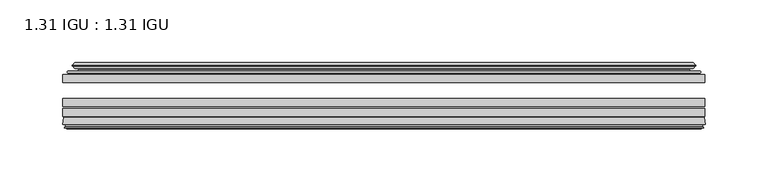
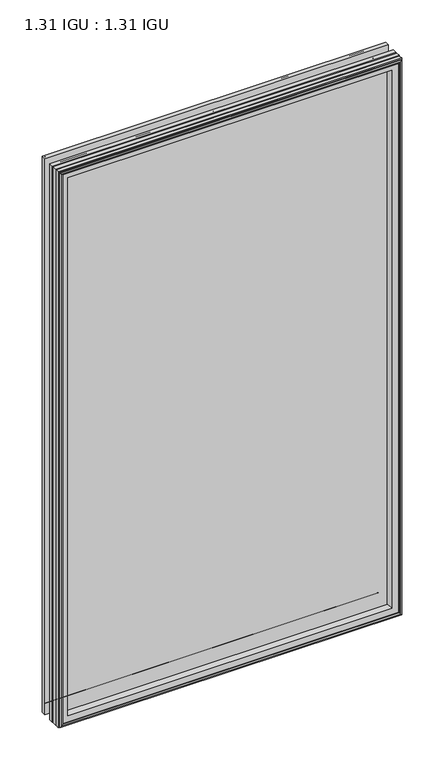
"""IFC4 building model written with IfcOpenShell, lengths in millimetres: plate geometry, 1.31 IGU : 1.31 IGU."""

from ifc_helpers import new_model, si_unit, frame, origin, place, context, project, spatial, polyline, ellipse_curve, outline, extrude, source, transform, mapped, element, save
from ifc_brep_helpers import plane_surface, cylinder_surface, revolved_surface, advanced_brep


def plate_1_31_igu_1_31_igu_baf90a24(model_context):
    return source(origin(), model_context, "Body", "SolidModel", [
        extrude(outline(polyline([(254.9913865, -51.7723437), (254.9913865, -58.1223438), (-255.0583333, -58.1223438), (-255.0583333, -51.7723437), (254.9913865, -51.7723437)])), frame((0.0, 0.0, -14.2875), z_axis=(0.0, 0.0, 1.0), x_axis=(1.0, 0.0, 0.0)), (0.0, 0.0, 1.0), 873.125),
        extrude(outline(polyline([(-255.0583333, -85.4273438), (-255.0583333, -79.0773437), (254.9913865, -79.0773437), (254.9913865, -85.4273438), (-255.0583333, -85.4273438)])), frame((0.0, 0.0, -14.2875), z_axis=(0.0, 0.0, 1.0), x_axis=(1.0, 0.0, 0.0)), (0.0, 0.0, 1.0), 873.125),
        extrude(outline(polyline([(-255.0583333, -77.1723438), (-255.0583333, -70.8223438), (254.9913865, -70.8223438), (254.9913865, -77.1723438), (-255.0583333, -77.1723438)])), frame((0.0, 0.0, -14.2875), z_axis=(0.0, 0.0, 1.0), x_axis=(1.0, 0.0, 0.0)), (0.0, 0.0, 1.0), 873.125),
        advanced_brep(
        [(-255.0710333, -91.7773437, 858.8502), (-254.3762495, -86.1187838, 858.1554162), (-254.3762495, -86.1187838, -13.6054162), (-255.0710333, -91.7773437, -14.3002), (-252.6834333, -93.768408, 856.4626), (-253.1406333, -91.7773437, 856.9198), (-253.1406333, -91.7773437, -12.3698), (-252.6834333, -93.768408, -11.9126), (-253.6847952, -93.5000939, 857.4639619), (-253.6847952, -93.5000939, -12.9139619), (-253.9280333, -94.407871, 857.7072), (-253.9280333, -94.407871, -13.1572), (-251.8960333, -94.9523437, 855.6752), (-251.8960333, -94.9523437, -11.1252), (-249.8640333, -94.407871, 853.6432), (-249.8640333, -94.407871, -9.0932), (-250.1072715, -93.5000939, 853.8864381), (-250.1072715, -93.5000939, -9.3364381), (-251.1086333, -93.768408, 854.8878), (-251.1086333, -93.768408, -10.3378), (-250.6514333, -91.7773437, 854.4306), (-250.6514333, -91.7773437, -9.8806), (-236.5818119, -85.4273437, 840.3609786), (-240.7708333, -91.7773437, 844.55), (-240.7708333, -91.7773437, 0.0), (-236.5818119, -85.4273437, 4.1890214), (-253.5947187, -85.4273437, 857.3738854), (-253.5947187, -85.4273437, -12.8238854), (254.3762495, -86.1187838, -13.6054162), (255.0710333, -91.7773437, -14.3002), (253.1406333, -91.7773437, -12.3698), (252.6834333, -93.768408, -11.9126), (253.6847952, -93.5000939, -12.9139619), (253.9280333, -94.407871, -13.1572), (251.8960333, -94.9523437, -11.1252), (249.8640333, -94.407871, -9.0932), (250.1072715, -93.5000939, -9.3364381), (251.1086333, -93.768408, -10.3378), (250.6514333, -91.7773437, -9.8806), (240.7708333, -91.7773437, 0.0), (236.5818119, -85.4273437, 4.1890214), (253.5947187, -85.4273437, -12.8238854), (254.3762495, -86.1187838, 858.1554162), (255.0710333, -91.7773437, 858.8502), (253.1406333, -91.7773437, 856.9198), (252.6834333, -93.768408, 856.4626), (253.6847952, -93.5000939, 857.4639619), (253.9280333, -94.407871, 857.7072), (251.8960333, -94.9523437, 855.6752), (249.8640333, -94.407871, 853.6432), (250.1072715, -93.5000939, 853.8864381), (251.1086333, -93.768408, 854.8878), (250.6514333, -91.7773437, 854.4306), (240.7708333, -91.7773437, 844.55), (236.5818119, -85.4273437, 840.3609786), (253.5947187, -85.4273437, 857.3738854)],
        [
            (0, 1),
            (1, 2),
            (2, 3),
            (3, 0),
            (4, 5),
            (5, 6),
            (6, 7),
            (7, 4),
            (8, 4),
            (7, 9),
            (9, 8),
            (10, 8),
            (9, 11),
            (11, 10),
            (12, 10),
            (11, 13),
            (13, 12),
            (14, 12),
            (13, 15),
            (15, 14),
            (16, 14),
            (15, 17),
            (17, 16),
            (18, 16),
            (17, 19),
            (19, 18),
            (20, 18),
            (19, 21),
            (21, 20),
            (22, 23, ellipse_curve(frame((-233.7869394, -91.8278132, 837.566106), z_axis=(0.7071067811865475, 0.0, 0.7071067811865475), x_axis=(0.7071067811865474, 0.0, -0.7071067811865476)), 9.8769754, 6.9840763)),
            (23, 24),
            (24, 25, ellipse_curve(frame((-233.7869394, -91.8278132, 6.983894), z_axis=(0.7071067811865475, 0.0, -0.7071067811865475), x_axis=(-0.7071067811865474, 0.0, -0.7071067811865476)), 9.8769754, 6.9840763)),
            (25, 22),
            (1, 26, ellipse_curve(frame((-253.5947187, -86.2147437, 857.3738854), z_axis=(-0.7071067811865475, 0.0, -0.7071067811865475), x_axis=(-0.7071067811865474, 0.0, 0.7071067811865476)), 1.1135518, 0.7874)),
            (26, 27),
            (27, 2, ellipse_curve(frame((-253.5947187, -86.2147437, -12.8238854), z_axis=(-0.7071067811865475, 0.0, 0.7071067811865475), x_axis=(0.7071067811865474, 0.0, 0.7071067811865476)), 1.1135518, 0.7874)),
            (2, 28),
            (28, 29),
            (29, 3),
            (6, 30),
            (30, 31),
            (31, 7),
            (31, 32),
            (32, 9),
            (32, 33),
            (33, 11),
            (33, 34),
            (34, 13),
            (34, 35),
            (35, 15),
            (35, 36),
            (36, 17),
            (36, 37),
            (37, 19),
            (37, 38),
            (38, 21),
            (24, 39),
            (39, 40, ellipse_curve(frame((233.7869394, -91.8278132, 6.983894), z_axis=(0.7071067811865475, 0.0, 0.7071067811865475), x_axis=(0.7071067811865476, 0.0, -0.7071067811865474)), 9.8769754, 6.9840763)),
            (40, 25),
            (27, 41),
            (41, 28, ellipse_curve(frame((253.5947187, -86.2147437, -12.8238854), z_axis=(-0.7071067811865475, 0.0, -0.7071067811865475), x_axis=(-0.7071067811865476, 0.0, 0.7071067811865474)), 1.1135518, 0.7874)),
            (28, 42),
            (42, 43),
            (43, 29),
            (30, 44),
            (44, 45),
            (45, 31),
            (45, 46),
            (46, 32),
            (46, 47),
            (47, 33),
            (47, 48),
            (48, 34),
            (48, 49),
            (49, 35),
            (49, 50),
            (50, 36),
            (50, 51),
            (51, 37),
            (51, 52),
            (52, 38),
            (39, 53),
            (53, 54, ellipse_curve(frame((233.7869394, -91.8278132, 837.566106), z_axis=(-0.7071067811865475, 0.0, 0.7071067811865475), x_axis=(0.7071067811865474, 0.0, 0.7071067811865476)), 9.8769754, 6.9840763)),
            (54, 40),
            (41, 55),
            (55, 42, ellipse_curve(frame((253.5947187, -86.2147437, 857.3738854), z_axis=(0.7071067811865475, 0.0, -0.7071067811865475), x_axis=(-0.7071067811865474, 0.0, -0.7071067811865476)), 1.1135518, 0.7874)),
            (42, 1),
            (0, 43),
            (5, 44),
            (4, 45),
            (8, 46),
            (10, 47),
            (12, 48),
            (14, 49),
            (16, 50),
            (18, 51),
            (20, 52),
            (23, 53),
            (22, 54),
            (26, 55),
        ],
        [
            plane_surface(frame((-254.3762495, -86.1187838, 858.1554162), z_axis=(-0.9925461516413241, 0.12186934340513104, 0.0), x_axis=(0.0, 0.0, -1.0))),
            plane_surface(frame((-253.1406333, -91.7773437, 856.9198), z_axis=(-0.9746347637895992, -0.22380142361654512, 0.0), x_axis=(0.0, 0.0, -1.0))),
            plane_surface(frame((-252.6834333, -93.768408, 856.4626), z_axis=(0.25881904510266784, 0.9659258262890289, 0.0), x_axis=(0.0, 0.0, -1.0))),
            plane_surface(frame((-253.6847952, -93.5000939, 857.4639619), z_axis=(-0.9659258262890449, 0.2588190451026083, 0.0), x_axis=(0.0, 0.0, -1.0))),
            plane_surface(frame((-253.9280333, -94.407871, 857.7072), z_axis=(-0.25881904510250453, -0.9659258262890726, 0.0), x_axis=(0.0, 0.0, -1.0))),
            plane_surface(frame((-251.8960333, -94.9523437, 855.6752), z_axis=(0.258819045102479, -0.9659258262890795, 0.0), x_axis=(0.0, 0.0, -1.0))),
            plane_surface(frame((-249.8640333, -94.407871, 853.6432), z_axis=(0.9659258262890272, 0.25881904510267406, 0.0), x_axis=(0.0, 0.0, -1.0))),
            plane_surface(frame((-250.1072715, -93.5000939, 853.8864381), z_axis=(-0.25881904510234177, 0.9659258262891163, 0.0), x_axis=(0.0, 0.0, -1.0))),
            plane_surface(frame((-251.1086333, -93.768408, 854.8878), z_axis=(0.9746347637895936, -0.22380142361656946, 0.0), x_axis=(0.0, 0.0, -1.0))),
            revolved_surface(polyline([(-240.7710157, -91.8278132, -0.00018228295277822326), (-240.7710157, -91.8278132, 844.5501822829527)]), (-233.7869394, -91.8278132, 876.3), (0.0, 0.0, -1.0)),
            cylinder_surface(frame((-253.5947187, -86.2147437, 876.3), z_axis=(0.0, 0.0, 1.0), x_axis=(-1.0, 0.0, 0.0)), 0.7874),
            plane_surface(frame((-254.3762495, -86.1187838, -13.6054162), z_axis=(0.0, 0.12186934340512784, -0.9925461516413245), x_axis=(1.0, 0.0, 0.0))),
            plane_surface(frame((-253.1406333, -91.7773437, -12.3698), z_axis=(0.0, -0.22380142361654826, -0.9746347637895985), x_axis=(1.0, 0.0, 0.0))),
            plane_surface(frame((-252.6834333, -93.768408, -11.9126), z_axis=(0.0, 0.9659258262890298, 0.25881904510266474), x_axis=(1.0, 0.0, 0.0))),
            plane_surface(frame((-253.6847952, -93.5000939, -12.9139619), z_axis=(0.0, 0.25881904510260517, -0.9659258262890458), x_axis=(1.0, 0.0, 0.0))),
            plane_surface(frame((-253.9280333, -94.407871, -13.1572), z_axis=(0.0, -0.9659258262890735, -0.2588190451025014), x_axis=(1.0, 0.0, 0.0))),
            plane_surface(frame((-251.8960333, -94.9523437, -11.1252), z_axis=(0.0, -0.9659258262890786, 0.2588190451024821), x_axis=(1.0, 0.0, 0.0))),
            plane_surface(frame((-249.8640333, -94.407871, -9.0932), z_axis=(0.0, 0.2588190451026772, 0.9659258262890265), x_axis=(1.0, 0.0, 0.0))),
            plane_surface(frame((-250.1072715, -93.5000939, -9.3364381), z_axis=(0.0, 0.9659258262891154, -0.2588190451023449), x_axis=(1.0, 0.0, 0.0))),
            plane_surface(frame((-251.1086333, -93.768408, -10.3378), z_axis=(0.0, -0.22380142361656633, 0.9746347637895943), x_axis=(1.0, 0.0, 0.0))),
            revolved_surface(polyline([(240.77101568295274, -91.8278132, -0.00018229999999963553), (-240.7710156829527, -91.8278132, -0.00018229999999963553)]), (-272.5208333, -91.8278132, 6.983894), (1.0, 0.0, 0.0)),
            cylinder_surface(frame((-272.5208333, -86.2147437, -12.8238854), z_axis=(-1.0, 0.0, 0.0), x_axis=(0.0, 0.0, -1.0)), 0.7874),
            plane_surface(frame((254.3762495, -86.1187838, -13.6054162), z_axis=(0.992546151641325, 0.12186934340512463, 0.0), x_axis=(0.0, 0.0, 1.0))),
            plane_surface(frame((253.1406333, -91.7773437, -12.3698), z_axis=(0.9746347637895978, -0.22380142361655142, 0.0), x_axis=(0.0, 0.0, 1.0))),
            plane_surface(frame((252.6834333, -93.768408, -11.9126), z_axis=(-0.2588190451026616, 0.9659258262890307, 0.0), x_axis=(0.0, 0.0, 1.0))),
            plane_surface(frame((253.6847952, -93.5000939, -12.9139619), z_axis=(0.9659258262890467, 0.25881904510260206, 0.0), x_axis=(0.0, 0.0, 1.0))),
            plane_surface(frame((253.9280333, -94.407871, -13.1572), z_axis=(0.2588190451024983, -0.9659258262890744, 0.0), x_axis=(0.0, 0.0, 1.0))),
            plane_surface(frame((251.8960333, -94.9523437, -11.1252), z_axis=(-0.25881904510248527, -0.9659258262890779, 0.0), x_axis=(0.0, 0.0, 1.0))),
            plane_surface(frame((249.8640333, -94.407871, -9.0932), z_axis=(-0.9659258262890256, 0.25881904510268033, 0.0), x_axis=(0.0, 0.0, 1.0))),
            plane_surface(frame((250.1072715, -93.5000939, -9.3364381), z_axis=(0.25881904510234804, 0.9659258262891146, 0.0), x_axis=(0.0, 0.0, 1.0))),
            plane_surface(frame((251.1086333, -93.768408, -10.3378), z_axis=(-0.9746347637895951, -0.2238014236165632, 0.0), x_axis=(0.0, 0.0, 1.0))),
            revolved_surface(polyline([(240.7710157, -91.8278132, 844.5501822829527), (240.7710157, -91.8278132, -0.0001822829527107217)]), (233.7869394, -91.8278132, -31.75), (0.0, 0.0, 1.0)),
            cylinder_surface(frame((253.5947187, -86.2147437, -31.75), z_axis=(0.0, 0.0, -1.0), x_axis=(1.0, 0.0, 0.0)), 0.7874),
            plane_surface(frame((254.3762495, -86.1187838, 858.1554162), z_axis=(0.0, 0.12186934340512784, 0.9925461516413245), x_axis=(-1.0, 0.0, 0.0))),
            plane_surface(frame((255.0710333, -91.7773437, 858.8502), z_axis=(0.0, -1.0, 0.0), x_axis=(-1.0, 0.0, 0.0))),
            plane_surface(frame((253.1406333, -91.7773437, 856.9198), z_axis=(0.0, -0.22380142361654828, 0.9746347637895986), x_axis=(-1.0, 0.0, 0.0))),
            plane_surface(frame((252.6834333, -93.768408, 856.4626), z_axis=(0.0, 0.9659258262890298, -0.25881904510266474), x_axis=(-1.0, 0.0, 0.0))),
            plane_surface(frame((253.6847952, -93.5000939, 857.4639619), z_axis=(0.0, 0.25881904510260517, 0.9659258262890458), x_axis=(-1.0, 0.0, 0.0))),
            plane_surface(frame((253.9280333, -94.407871, 857.7072), z_axis=(0.0, -0.9659258262890735, 0.2588190451025014), x_axis=(-1.0, 0.0, 0.0))),
            plane_surface(frame((251.8960333, -94.9523437, 855.6752), z_axis=(0.0, -0.9659258262890787, -0.25881904510248216), x_axis=(-1.0, 0.0, 0.0))),
            plane_surface(frame((249.8640333, -94.407871, 853.6432), z_axis=(0.0, 0.2588190451026772, -0.9659258262890265), x_axis=(-1.0, 0.0, 0.0))),
            plane_surface(frame((250.1072715, -93.5000939, 853.8864381), z_axis=(0.0, 0.9659258262891155, 0.25881904510234494), x_axis=(-1.0, 0.0, 0.0))),
            plane_surface(frame((251.1086333, -93.768408, 854.8878), z_axis=(0.0, -0.22380142361656633, -0.9746347637895943), x_axis=(-1.0, 0.0, 0.0))),
            plane_surface(frame((250.6514333, -91.7773437, 854.4306), z_axis=(0.0, -1.0, 0.0), x_axis=(-1.0, 0.0, 0.0))),
            revolved_surface(polyline([(-240.77101568295274, -91.8278132, 844.5501823), (240.7710156829527, -91.8278132, 844.5501823)]), (272.5208333, -91.8278132, 837.566106), (-1.0, 0.0, 0.0)),
            plane_surface(frame((236.5818119, -85.4273437, 840.3609786), z_axis=(0.0, 1.0, 0.0), x_axis=(-1.0, 0.0, 0.0))),
            cylinder_surface(frame((272.5208333, -86.2147437, 857.3738854), z_axis=(1.0, 0.0, 0.0), x_axis=(0.0, 0.0, 1.0)), 0.7874),
        ],
        [
            (0, [[1, 2, 3, 4]]),
            (1, [[5, 6, 7, 8]]),
            (2, [[9, -8, 10, 11]]),
            (3, [[12, -11, 13, 14]]),
            (4, [[15, -14, 16, 17]]),
            (5, [[18, -17, 19, 20]]),
            (6, [[21, -20, 22, 23]]),
            (7, [[24, -23, 25, 26]]),
            (8, [[27, -26, 28, 29]]),
            (9, [[30, 31, 32, 33]]),
            (10, [[34, 35, 36, -2]]),
            (11, [[-3, 37, 38, 39]]),
            (12, [[-7, 40, 41, 42]]),
            (13, [[-10, -42, 43, 44]]),
            (14, [[-13, -44, 45, 46]]),
            (15, [[-16, -46, 47, 48]]),
            (16, [[-19, -48, 49, 50]]),
            (17, [[-22, -50, 51, 52]]),
            (18, [[-25, -52, 53, 54]]),
            (19, [[-28, -54, 55, 56]]),
            (20, [[-32, 57, 58, 59]]),
            (21, [[-36, 60, 61, -37]]),
            (22, [[-38, 62, 63, 64]]),
            (23, [[-41, 65, 66, 67]]),
            (24, [[-43, -67, 68, 69]]),
            (25, [[-45, -69, 70, 71]]),
            (26, [[-47, -71, 72, 73]]),
            (27, [[-49, -73, 74, 75]]),
            (28, [[-51, -75, 76, 77]]),
            (29, [[-53, -77, 78, 79]]),
            (30, [[-55, -79, 80, 81]]),
            (31, [[-58, 82, 83, 84]]),
            (32, [[-61, 85, 86, -62]]),
            (33, [[-63, 87, -1, 88]]),
            (34, [[-39, -64, -88, -4], [89, -65, -40, -6]]),
            (35, [[-66, -89, -5, 90]]),
            (36, [[-68, -90, -9, 91]]),
            (37, [[-70, -91, -12, 92]]),
            (38, [[-72, -92, -15, 93]]),
            (39, [[-74, -93, -18, 94]]),
            (40, [[-76, -94, -21, 95]]),
            (41, [[-78, -95, -24, 96]]),
            (42, [[-80, -96, -27, 97]]),
            (43, [[-56, -81, -97, -29], [98, -82, -57, -31]]),
            (44, [[-83, -98, -30, 99]]),
            (45, [[100, -85, -60, -35], [-59, -84, -99, -33]]),
            (46, [[-86, -100, -34, -87]]),
        ],
    ),
        advanced_brep(
        [(-236.7231235, -50.6812421, 840.5022902), (-237.1649337, -51.7723437, 840.9441004), (-237.1649337, -51.7723437, 3.6058996), (-236.7231235, -50.6812421, 4.0477098), (-240.7708333, -42.9585437, 844.55), (-240.7708333, -42.9585437, 0.0), (-245.9567442, -44.1396428, 849.7359109), (-245.9567442, -44.1396428, -5.1859109), (-245.6271689, -43.3125262, 849.4063356), (-245.6271689, -43.3125262, -4.8563356), (-245.6271689, -42.4982749, 849.4063356), (-245.6271689, -42.4982749, -4.8563356), (-247.4434444, -44.4569108, 851.2226111), (-247.4434444, -44.4569108, -6.6726111), (-247.4434444, -45.1700367, 851.2226111), (-247.4434444, -45.1700367, -6.6726111), (-245.6271689, -47.1188911, 849.4063356), (-245.6271689, -47.1188911, -4.8563356), (-245.6271689, -46.3144213, 849.4063356), (-245.6271689, -46.3144213, -4.8563356), (-245.9490834, -45.5065305, 849.7282501), (-245.9490834, -45.5065305, -5.1782501), (-243.4252712, -45.3481387, 847.2044379), (-243.4252712, -45.3481387, -2.6544379), (-242.399455, -46.0358481, 846.1786217), (-242.399455, -46.0358481, -1.6286217), (-242.5178622, -47.4303169, 846.2970288), (-242.5178622, -47.4303169, -1.7470288), (-243.1196081, -48.9275437, 846.8987748), (-243.1196081, -48.9275437, -2.3487748), (-251.0453887, -50.8359667, 854.8245553), (-250.5597578, -48.9275437, 854.3389245), (-250.5597578, -48.9275437, -9.7889245), (-251.0453887, -50.8359667, -10.2745553), (-249.3246488, -51.7723437, 853.1038155), (-249.3246488, -51.7723437, -8.5538155), (237.1649337, -51.7723437, 3.6058996), (236.7231235, -50.6812421, 4.0477098), (240.7708333, -42.9585437, 0.0), (245.9567442, -44.1396428, -5.1859109), (245.6271689, -43.3125262, -4.8563356), (245.6271689, -42.4982749, -4.8563356), (247.4434444, -44.4569108, -6.6726111), (247.4434444, -45.1700367, -6.6726111), (245.6271689, -47.1188911, -4.8563356), (245.6271689, -46.3144213, -4.8563356), (245.9490834, -45.5065305, -5.1782501), (243.4252712, -45.3481387, -2.6544379), (242.399455, -46.0358481, -1.6286217), (242.5178622, -47.4303169, -1.7470288), (243.1196081, -48.9275437, -2.3487748), (250.5597578, -48.9275437, -9.7889245), (251.0453887, -50.8359667, -10.2745553), (249.3246488, -51.7723437, -8.5538155), (237.1649337, -51.7723437, 840.9441004), (236.7231235, -50.6812421, 840.5022902), (240.7708333, -42.9585437, 844.55), (245.9567442, -44.1396428, 849.7359109), (245.6271689, -43.3125262, 849.4063356), (245.6271689, -42.4982749, 849.4063356), (247.4434444, -44.4569108, 851.2226111), (247.4434444, -45.1700367, 851.2226111), (245.6271689, -47.1188911, 849.4063356), (245.6271689, -46.3144213, 849.4063356), (245.9490834, -45.5065305, 849.7282501), (243.4252712, -45.3481387, 847.2044379), (242.399455, -46.0358481, 846.1786217), (242.5178622, -47.4303169, 846.2970288), (243.1196081, -48.9275437, 846.8987748), (250.5597578, -48.9275437, 854.3389245), (251.0453887, -50.8359667, 854.8245553), (249.3246488, -51.7723437, 853.1038155)],
        [
            (0, 1, ellipse_curve(frame((-237.1649337, -51.1373437, 840.9441004), z_axis=(-0.7071067811865475, 0.0, -0.7071067811865475), x_axis=(-0.7071067811865474, 0.0, 0.7071067811865476)), 0.8980256, 0.635)),
            (1, 2),
            (2, 3, ellipse_curve(frame((-237.1649337, -51.1373437, 3.6058996), z_axis=(-0.7071067811865475, 0.0, 0.7071067811865475), x_axis=(0.7071067811865474, 0.0, 0.7071067811865476)), 0.8980256, 0.635)),
            (3, 0),
            (4, 0, ellipse_curve(frame((-227.0380387, -40.6828682, 830.8172054), z_axis=(0.7071067811865475, 0.0, 0.7071067811865475), x_axis=(0.7071067811865474, 0.0, -0.7071067811865476)), 19.6859517, 13.9200699)),
            (3, 5, ellipse_curve(frame((-227.0380387, -40.6828682, 13.7327946), z_axis=(0.7071067811865475, 0.0, -0.7071067811865475), x_axis=(-0.7071067811865474, 0.0, -0.7071067811865476)), 19.6859517, 13.9200699)),
            (5, 4),
            (6, 4),
            (5, 7),
            (7, 6),
            (8, 6),
            (7, 9),
            (9, 8),
            (10, 8),
            (9, 11),
            (11, 10),
            (12, 10),
            (11, 13),
            (13, 12),
            (14, 12, ellipse_curve(frame((-247.0816062, -44.8134737, 850.8607729), z_axis=(-0.7071067811865475, 0.0, -0.7071067811865475), x_axis=(-0.7071067811865474, 0.0, 0.7071067811865476)), 0.7184205, 0.508)),
            (13, 15, ellipse_curve(frame((-247.0816062, -44.8134737, -6.3107729), z_axis=(-0.7071067811865475, 0.0, 0.7071067811865475), x_axis=(0.7071067811865474, 0.0, 0.7071067811865476)), 0.7184205, 0.508)),
            (15, 14),
            (16, 14),
            (15, 17),
            (17, 16),
            (18, 16),
            (17, 19),
            (19, 18),
            (20, 18),
            (19, 21),
            (21, 20),
            (22, 20),
            (21, 23),
            (23, 22),
            (24, 22, ellipse_curve(frame((-243.3616333, -46.3621437, 847.1408), z_axis=(0.7071067811865475, 0.0, 0.7071067811865475), x_axis=(0.7071067811865474, 0.0, -0.7071067811865476)), 1.436841, 1.016)),
            (23, 25, ellipse_curve(frame((-243.3616333, -46.3621437, -2.5908), z_axis=(0.7071067811865475, 0.0, -0.7071067811865475), x_axis=(-0.7071067811865474, 0.0, -0.7071067811865476)), 1.436841, 1.016)),
            (25, 24),
            (26, 24, ellipse_curve(frame((-244.7332333, -46.5399437, 848.5124), z_axis=(0.7071067811865475, 0.0, 0.7071067811865475), x_axis=(0.7071067811865474, 0.0, -0.7071067811865476)), 3.3765763, 2.3876)),
            (25, 27, ellipse_curve(frame((-244.7332333, -46.5399437, -3.9624), z_axis=(0.7071067811865475, 0.0, -0.7071067811865475), x_axis=(-0.7071067811865474, 0.0, -0.7071067811865476)), 3.3765763, 2.3876)),
            (27, 26),
            (28, 26),
            (27, 29),
            (29, 28),
            (30, 31, ellipse_curve(frame((-250.5597578, -49.9435437, 854.3389245), z_axis=(-0.7071067811865475, 0.0, -0.7071067811865475), x_axis=(-0.7071067811865474, 0.0, 0.7071067811865476)), 1.436841, 1.016)),
            (31, 32),
            (32, 33, ellipse_curve(frame((-250.5597578, -49.9435437, -9.7889245), z_axis=(-0.7071067811865475, 0.0, 0.7071067811865475), x_axis=(0.7071067811865474, 0.0, 0.7071067811865476)), 1.436841, 1.016)),
            (33, 30),
            (34, 30),
            (33, 35),
            (35, 34),
            (2, 36),
            (36, 37, ellipse_curve(frame((237.1649337, -51.1373437, 3.6058996), z_axis=(-0.7071067811865475, 0.0, -0.7071067811865475), x_axis=(-0.7071067811865476, 0.0, 0.7071067811865474)), 0.8980256, 0.635)),
            (37, 3),
            (37, 38, ellipse_curve(frame((227.0380387, -40.6828682, 13.7327946), z_axis=(0.7071067811865475, 0.0, 0.7071067811865475), x_axis=(0.7071067811865476, 0.0, -0.7071067811865474)), 19.6859517, 13.9200699)),
            (38, 5),
            (38, 39),
            (39, 7),
            (39, 40),
            (40, 9),
            (40, 41),
            (41, 11),
            (41, 42),
            (42, 13),
            (42, 43, ellipse_curve(frame((247.0816062, -44.8134737, -6.3107729), z_axis=(-0.7071067811865475, 0.0, -0.7071067811865475), x_axis=(-0.7071067811865476, 0.0, 0.7071067811865474)), 0.7184205, 0.508)),
            (43, 15),
            (43, 44),
            (44, 17),
            (44, 45),
            (45, 19),
            (45, 46),
            (46, 21),
            (46, 47),
            (47, 23),
            (47, 48, ellipse_curve(frame((243.3616333, -46.3621437, -2.5908), z_axis=(0.7071067811865475, 0.0, 0.7071067811865475), x_axis=(0.7071067811865476, 0.0, -0.7071067811865474)), 1.436841, 1.016)),
            (48, 25),
            (48, 49, ellipse_curve(frame((244.7332333, -46.5399437, -3.9624), z_axis=(0.7071067811865475, 0.0, 0.7071067811865475), x_axis=(0.7071067811865476, 0.0, -0.7071067811865474)), 3.3765763, 2.3876)),
            (49, 27),
            (49, 50),
            (50, 29),
            (32, 51),
            (51, 52, ellipse_curve(frame((250.5597578, -49.9435437, -9.7889245), z_axis=(-0.7071067811865475, 0.0, -0.7071067811865475), x_axis=(-0.7071067811865476, 0.0, 0.7071067811865474)), 1.436841, 1.016)),
            (52, 33),
            (52, 53),
            (53, 35),
            (36, 54),
            (54, 55, ellipse_curve(frame((237.1649337, -51.1373437, 840.9441004), z_axis=(0.7071067811865475, 0.0, -0.7071067811865475), x_axis=(-0.7071067811865474, 0.0, -0.7071067811865476)), 0.8980256, 0.635)),
            (55, 37),
            (55, 56, ellipse_curve(frame((227.0380387, -40.6828682, 830.8172054), z_axis=(-0.7071067811865475, 0.0, 0.7071067811865475), x_axis=(0.7071067811865474, 0.0, 0.7071067811865476)), 19.6859517, 13.9200699)),
            (56, 38),
            (56, 57),
            (57, 39),
            (57, 58),
            (58, 40),
            (58, 59),
            (59, 41),
            (59, 60),
            (60, 42),
            (60, 61, ellipse_curve(frame((247.0816062, -44.8134737, 850.8607729), z_axis=(0.7071067811865475, 0.0, -0.7071067811865475), x_axis=(-0.7071067811865474, 0.0, -0.7071067811865476)), 0.7184205, 0.508)),
            (61, 43),
            (61, 62),
            (62, 44),
            (62, 63),
            (63, 45),
            (63, 64),
            (64, 46),
            (64, 65),
            (65, 47),
            (65, 66, ellipse_curve(frame((243.3616333, -46.3621437, 847.1408), z_axis=(-0.7071067811865475, 0.0, 0.7071067811865475), x_axis=(0.7071067811865474, 0.0, 0.7071067811865476)), 1.436841, 1.016)),
            (66, 48),
            (66, 67, ellipse_curve(frame((244.7332333, -46.5399437, 848.5124), z_axis=(-0.7071067811865475, 0.0, 0.7071067811865475), x_axis=(0.7071067811865474, 0.0, 0.7071067811865476)), 3.3765763, 2.3876)),
            (67, 49),
            (67, 68),
            (68, 50),
            (51, 69),
            (69, 70, ellipse_curve(frame((250.5597578, -49.9435437, 854.3389245), z_axis=(0.7071067811865475, 0.0, -0.7071067811865475), x_axis=(-0.7071067811865474, 0.0, -0.7071067811865476)), 1.436841, 1.016)),
            (70, 52),
            (70, 71),
            (71, 53),
            (54, 1),
            (0, 55),
            (4, 56),
            (6, 57),
            (8, 58),
            (10, 59),
            (12, 60),
            (14, 61),
            (16, 62),
            (18, 63),
            (20, 64),
            (22, 65),
            (24, 66),
            (26, 67),
            (28, 68),
            (31, 69),
            (30, 70),
            (34, 71),
        ],
        [
            cylinder_surface(frame((-237.1649337, -51.1373437, 876.3), z_axis=(0.0, 0.0, 1.0), x_axis=(-1.0, 0.0, 0.0)), 0.635),
            revolved_surface(polyline([(-240.95810859999997, -40.6828682, -0.18727534118079348), (-240.95810859999997, -40.6828682, 844.7372753411809)]), (-227.0380387, -40.6828682, 876.3), (0.0, 0.0, -1.0)),
            plane_surface(frame((-240.7708333, -42.9585437, 844.55), z_axis=(-0.22206498442778808, 0.9750318675259215, 0.0), x_axis=(0.0, 0.0, -1.0))),
            plane_surface(frame((-245.9567442, -44.1396428, 849.7359109), z_axis=(0.9289682685629942, -0.3701593656833133, 0.0), x_axis=(0.0, 0.0, -1.0))),
            plane_surface(frame((-245.6271689, -43.3125262, 849.4063356), z_axis=(1.0, 0.0, 0.0), x_axis=(0.0, 0.0, -1.0))),
            plane_surface(frame((-245.6271689, -42.4982749, 849.4063356), z_axis=(-0.7332521292723948, 0.6799568478348454, 0.0), x_axis=(0.0, 0.0, -1.0))),
            cylinder_surface(frame((-247.0816062, -44.8134737, 876.3), z_axis=(0.0, 0.0, 1.0), x_axis=(-1.0, 0.0, 0.0)), 0.508),
            plane_surface(frame((-247.4434444, -45.1700367, 851.2226111), z_axis=(-0.7315522693036389, -0.6817853601220082, 0.0), x_axis=(0.0, 0.0, -1.0))),
            plane_surface(frame((-245.6271689, -47.1188911, 849.4063356), z_axis=(1.0, 0.0, 0.0), x_axis=(0.0, 0.0, -1.0))),
            plane_surface(frame((-245.6271689, -46.3144213, 849.4063356), z_axis=(0.9289682685631103, 0.37015936568302166, 0.0), x_axis=(0.0, 0.0, -1.0))),
            plane_surface(frame((-245.9490834, -45.5065305, 849.7282501), z_axis=(0.06263570119321646, -0.9980364567169048, 0.0), x_axis=(0.0, 0.0, -1.0))),
            revolved_surface(polyline([(-244.37763329999999, -46.3621437, -3.606800014586838), (-244.37763329999999, -46.3621437, 848.1568000145869)]), (-243.3616333, -46.3621437, 876.3), (0.0, 0.0, -1.0)),
            revolved_surface(polyline([(-247.1208333, -46.5399437, -6.3499999989237494), (-247.1208333, -46.5399437, 850.8999999989237)]), (-244.7332333, -46.5399437, 876.3), (0.0, 0.0, -1.0)),
            plane_surface(frame((-242.5178622, -47.4303169, 846.2970288), z_axis=(-0.927865292542892, 0.3729155385530262, 0.0), x_axis=(0.0, 0.0, -1.0))),
            cylinder_surface(frame((-250.5597578, -49.9435437, 876.3), z_axis=(0.0, 0.0, 1.0), x_axis=(-1.0, 0.0, 0.0)), 1.016),
            plane_surface(frame((-251.0453887, -50.8359667, 854.8245553), z_axis=(-0.477983117370979, -0.8783690223979447, 0.0), x_axis=(0.0, 0.0, -1.0))),
            cylinder_surface(frame((-272.5208333, -51.1373437, 3.6058996), z_axis=(-1.0, 0.0, 0.0), x_axis=(0.0, 0.0, -1.0)), 0.635),
            revolved_surface(polyline([(240.9581086411808, -40.6828682, -0.1872752999999996), (-240.95810864118084, -40.6828682, -0.1872752999999996)]), (-272.5208333, -40.6828682, 13.7327946), (1.0, 0.0, 0.0)),
            plane_surface(frame((-240.7708333, -42.9585437, 0.0), z_axis=(0.0, 0.9750318675259209, -0.2220649844277912), x_axis=(1.0, 0.0, 0.0))),
            plane_surface(frame((-245.9567442, -44.1396428, -5.1859109), z_axis=(0.0, -0.3701593656833103, 0.9289682685629954), x_axis=(1.0, 0.0, 0.0))),
            plane_surface(frame((-245.6271689, -43.3125262, -4.8563356), z_axis=(0.0, 0.0, 1.0), x_axis=(1.0, 0.0, 0.0))),
            plane_surface(frame((-245.6271689, -42.4982749, -4.8563356), z_axis=(0.0, 0.6799568478348431, -0.733252129272397), x_axis=(1.0, 0.0, 0.0))),
            cylinder_surface(frame((-272.5208333, -44.8134737, -6.3107729), z_axis=(-1.0, 0.0, 0.0), x_axis=(0.0, 0.0, -1.0)), 0.508),
            plane_surface(frame((-247.4434444, -45.1700367, -6.6726111), z_axis=(0.0, -0.6817853601220105, -0.7315522693036367), x_axis=(1.0, 0.0, 0.0))),
            plane_surface(frame((-245.6271689, -47.1188911, -4.8563356), z_axis=(0.0, 0.0, 1.0), x_axis=(1.0, 0.0, 0.0))),
            plane_surface(frame((-245.6271689, -46.3144213, -4.8563356), z_axis=(0.0, 0.37015936568302465, 0.9289682685631091), x_axis=(1.0, 0.0, 0.0))),
            plane_surface(frame((-245.9490834, -45.5065305, -5.1782501), z_axis=(0.0, -0.9980364567169046, 0.06263570119321968), x_axis=(1.0, 0.0, 0.0))),
            revolved_surface(polyline([(244.37763331458694, -46.3621437, -3.6068000000000002), (-244.37763331458686, -46.3621437, -3.6068000000000002)]), (-272.5208333, -46.3621437, -2.5908), (1.0, 0.0, 0.0)),
            revolved_surface(polyline([(247.12083329892374, -46.5399437, -6.35), (-247.12083329892377, -46.5399437, -6.35)]), (-272.5208333, -46.5399437, -3.9624), (1.0, 0.0, 0.0)),
            plane_surface(frame((-242.5178622, -47.4303169, -1.7470288), z_axis=(0.0, 0.37291553855302323, -0.9278652925428932), x_axis=(1.0, 0.0, 0.0))),
            cylinder_surface(frame((-272.5208333, -49.9435437, -9.7889245), z_axis=(-1.0, 0.0, 0.0), x_axis=(0.0, 0.0, -1.0)), 1.016),
            plane_surface(frame((-251.0453887, -50.8359667, -10.2745553), z_axis=(0.0, -0.8783690223979462, -0.47798311737097615), x_axis=(1.0, 0.0, 0.0))),
            cylinder_surface(frame((237.1649337, -51.1373437, -31.75), z_axis=(0.0, 0.0, -1.0), x_axis=(1.0, 0.0, 0.0)), 0.635),
            revolved_surface(polyline([(240.95810859999997, -40.6828682, 844.7372753411809), (240.95810859999997, -40.6828682, -0.1872753411808432)]), (227.0380387, -40.6828682, -31.75), (0.0, 0.0, 1.0)),
            plane_surface(frame((240.7708333, -42.9585437, 0.0), z_axis=(0.22206498442779435, 0.9750318675259202, 0.0), x_axis=(0.0, 0.0, 1.0))),
            plane_surface(frame((245.9567442, -44.1396428, -5.1859109), z_axis=(-0.9289682685629966, -0.3701593656833073, 0.0), x_axis=(0.0, 0.0, 1.0))),
            plane_surface(frame((245.6271689, -43.3125262, -4.8563356), z_axis=(-1.0, 0.0, 0.0), x_axis=(0.0, 0.0, 1.0))),
            plane_surface(frame((245.6271689, -42.4982749, -4.8563356), z_axis=(0.7332521292723992, 0.6799568478348408, 0.0), x_axis=(0.0, 0.0, 1.0))),
            cylinder_surface(frame((247.0816062, -44.8134737, -31.75), z_axis=(0.0, 0.0, -1.0), x_axis=(1.0, 0.0, 0.0)), 0.508),
            plane_surface(frame((247.4434444, -45.1700367, -6.6726111), z_axis=(0.7315522693036345, -0.6817853601220129, 0.0), x_axis=(0.0, 0.0, 1.0))),
            plane_surface(frame((245.6271689, -47.1188911, -4.8563356), z_axis=(-1.0, 0.0, 0.0), x_axis=(0.0, 0.0, 1.0))),
            plane_surface(frame((245.6271689, -46.3144213, -4.8563356), z_axis=(-0.928968268563108, 0.3701593656830277, 0.0), x_axis=(0.0, 0.0, 1.0))),
            plane_surface(frame((245.9490834, -45.5065305, -5.1782501), z_axis=(-0.0626357011932229, -0.9980364567169043, 0.0), x_axis=(0.0, 0.0, 1.0))),
            revolved_surface(polyline([(244.37763329999999, -46.3621437, 848.1568000145869), (244.37763329999999, -46.3621437, -3.606800014586863)]), (243.3616333, -46.3621437, -31.75), (0.0, 0.0, 1.0)),
            revolved_surface(polyline([(247.1208333, -46.5399437, 850.8999999989237), (247.1208333, -46.5399437, -6.349999998923781)]), (244.7332333, -46.5399437, -31.75), (0.0, 0.0, 1.0)),
            plane_surface(frame((242.5178622, -47.4303169, -1.7470288), z_axis=(0.9278652925428944, 0.37291553855302023, 0.0), x_axis=(0.0, 0.0, 1.0))),
            cylinder_surface(frame((250.5597578, -49.9435437, -31.75), z_axis=(0.0, 0.0, -1.0), x_axis=(1.0, 0.0, 0.0)), 1.016),
            plane_surface(frame((251.0453887, -50.8359667, -10.2745553), z_axis=(0.4779831173709733, -0.8783690223979478, 0.0), x_axis=(0.0, 0.0, 1.0))),
            cylinder_surface(frame((272.5208333, -51.1373437, 840.9441004), z_axis=(1.0, 0.0, 0.0), x_axis=(0.0, 0.0, 1.0)), 0.635),
            revolved_surface(polyline([(-240.9581086411808, -40.6828682, 844.7372753000001), (240.95810864118084, -40.6828682, 844.7372753000001)]), (272.5208333, -40.6828682, 830.8172054), (-1.0, 0.0, 0.0)),
            plane_surface(frame((240.7708333, -42.9585437, 844.55), z_axis=(0.0, 0.9750318675259209, 0.2220649844277912), x_axis=(-1.0, 0.0, 0.0))),
            plane_surface(frame((245.9567442, -44.1396428, 849.7359109), z_axis=(0.0, -0.3701593656833103, -0.9289682685629954), x_axis=(-1.0, 0.0, 0.0))),
            plane_surface(frame((245.6271689, -43.3125262, 849.4063356), z_axis=(0.0, 0.0, -1.0), x_axis=(-1.0, 0.0, 0.0))),
            plane_surface(frame((245.6271689, -42.4982749, 849.4063356), z_axis=(0.0, 0.6799568478348431, 0.733252129272397), x_axis=(-1.0, 0.0, 0.0))),
            cylinder_surface(frame((272.5208333, -44.8134737, 850.8607729), z_axis=(1.0, 0.0, 0.0), x_axis=(0.0, 0.0, 1.0)), 0.508),
            plane_surface(frame((247.4434444, -45.1700367, 851.2226111), z_axis=(0.0, -0.6817853601220105, 0.7315522693036367), x_axis=(-1.0, 0.0, 0.0))),
            plane_surface(frame((245.6271689, -47.1188911, 849.4063356), z_axis=(0.0, 0.0, -1.0), x_axis=(-1.0, 0.0, 0.0))),
            plane_surface(frame((245.6271689, -46.3144213, 849.4063356), z_axis=(0.0, 0.3701593656830247, -0.9289682685631092), x_axis=(-1.0, 0.0, 0.0))),
            plane_surface(frame((245.9490834, -45.5065305, 849.7282501), z_axis=(0.0, -0.9980364567169046, -0.06263570119321968), x_axis=(-1.0, 0.0, 0.0))),
            revolved_surface(polyline([(-244.37763331458694, -46.3621437, 848.1568), (244.37763331458686, -46.3621437, 848.1568)]), (272.5208333, -46.3621437, 847.1408), (-1.0, 0.0, 0.0)),
            revolved_surface(polyline([(-247.12083329892374, -46.5399437, 850.9), (247.12083329892377, -46.5399437, 850.9)]), (272.5208333, -46.5399437, 848.5124), (-1.0, 0.0, 0.0)),
            plane_surface(frame((242.5178622, -47.4303169, 846.2970288), z_axis=(0.0, 0.37291553855302323, 0.9278652925428932), x_axis=(-1.0, 0.0, 0.0))),
            plane_surface(frame((243.1196081, -48.9275437, 846.8987748), z_axis=(0.0, 1.0, 0.0), x_axis=(-1.0, 0.0, 0.0))),
            cylinder_surface(frame((272.5208333, -49.9435437, 854.3389245), z_axis=(1.0, 0.0, 0.0), x_axis=(0.0, 0.0, 1.0)), 1.016),
            plane_surface(frame((251.0453887, -50.8359667, 854.8245553), z_axis=(0.0, -0.8783690223979462, 0.47798311737097615), x_axis=(-1.0, 0.0, 0.0))),
            plane_surface(frame((249.3246488, -51.7723437, 853.1038155), z_axis=(0.0, -1.0, 0.0), x_axis=(-1.0, 0.0, 0.0))),
        ],
        [
            (0, [[1, 2, 3, 4]]),
            (1, [[5, -4, 6, 7]]),
            (2, [[8, -7, 9, 10]]),
            (3, [[11, -10, 12, 13]]),
            (4, [[14, -13, 15, 16]]),
            (5, [[17, -16, 18, 19]]),
            (6, [[20, -19, 21, 22]]),
            (7, [[23, -22, 24, 25]]),
            (8, [[26, -25, 27, 28]]),
            (9, [[29, -28, 30, 31]]),
            (10, [[32, -31, 33, 34]]),
            (11, [[35, -34, 36, 37]]),
            (12, [[38, -37, 39, 40]]),
            (13, [[41, -40, 42, 43]]),
            (14, [[44, 45, 46, 47]]),
            (15, [[48, -47, 49, 50]]),
            (16, [[-3, 51, 52, 53]]),
            (17, [[-6, -53, 54, 55]]),
            (18, [[-9, -55, 56, 57]]),
            (19, [[-12, -57, 58, 59]]),
            (20, [[-15, -59, 60, 61]]),
            (21, [[-18, -61, 62, 63]]),
            (22, [[-21, -63, 64, 65]]),
            (23, [[-24, -65, 66, 67]]),
            (24, [[-27, -67, 68, 69]]),
            (25, [[-30, -69, 70, 71]]),
            (26, [[-33, -71, 72, 73]]),
            (27, [[-36, -73, 74, 75]]),
            (28, [[-39, -75, 76, 77]]),
            (29, [[-42, -77, 78, 79]]),
            (30, [[-46, 80, 81, 82]]),
            (31, [[-49, -82, 83, 84]]),
            (32, [[-52, 85, 86, 87]]),
            (33, [[-54, -87, 88, 89]]),
            (34, [[-56, -89, 90, 91]]),
            (35, [[-58, -91, 92, 93]]),
            (36, [[-60, -93, 94, 95]]),
            (37, [[-62, -95, 96, 97]]),
            (38, [[-64, -97, 98, 99]]),
            (39, [[-66, -99, 100, 101]]),
            (40, [[-68, -101, 102, 103]]),
            (41, [[-70, -103, 104, 105]]),
            (42, [[-72, -105, 106, 107]]),
            (43, [[-74, -107, 108, 109]]),
            (44, [[-76, -109, 110, 111]]),
            (45, [[-78, -111, 112, 113]]),
            (46, [[-81, 114, 115, 116]]),
            (47, [[-83, -116, 117, 118]]),
            (48, [[-86, 119, -1, 120]]),
            (49, [[-88, -120, -5, 121]]),
            (50, [[-90, -121, -8, 122]]),
            (51, [[-92, -122, -11, 123]]),
            (52, [[-94, -123, -14, 124]]),
            (53, [[-96, -124, -17, 125]]),
            (54, [[-98, -125, -20, 126]]),
            (55, [[-100, -126, -23, 127]]),
            (56, [[-102, -127, -26, 128]]),
            (57, [[-104, -128, -29, 129]]),
            (58, [[-106, -129, -32, 130]]),
            (59, [[-108, -130, -35, 131]]),
            (60, [[-110, -131, -38, 132]]),
            (61, [[-112, -132, -41, 133]]),
            (62, [[134, -114, -80, -45], [-79, -113, -133, -43]]),
            (63, [[-115, -134, -44, 135]]),
            (64, [[-117, -135, -48, 136]]),
            (65, [[-84, -118, -136, -50], [-119, -85, -51, -2]]),
        ],
    ),
    ])


if __name__ == "__main__":
    model = new_model("IFC4")
    model_context = context("Model", 3, world=origin())
    ifc_project = project(units=[si_unit("LENGTHUNIT", "METRE", prefix="MILLI")], contexts=[model_context])
    site = spatial("IfcSite", under=ifc_project)
    building = spatial("IfcBuilding", under=site)
    placement = place(None, origin())
    plate_1_31_igu_1_31_igu_shape = plate_1_31_igu_1_31_igu_baf90a24(model_context)
    element("IfcPlate", 1, ObjectType="1.31 IGU : 1.31 IGU", at=placement, inside=building, context=model_context, shape_type="MappedRepresentation", body=[
        mapped(plate_1_31_igu_1_31_igu_shape, transform((0.0, 0.0, 0.0), x_axis=(1.0, 0.0, 0.0), y_axis=(0.0, 1.0, 0.0), z_axis=(0.0, 0.0, 1.0))),
    ])
    save(model, "model.ifc")
